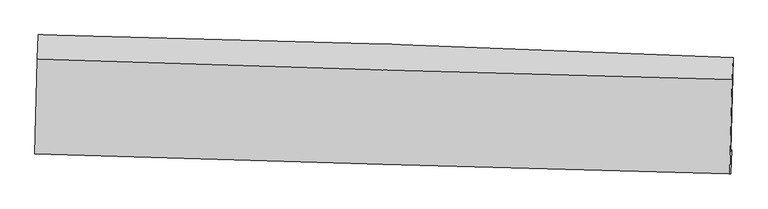
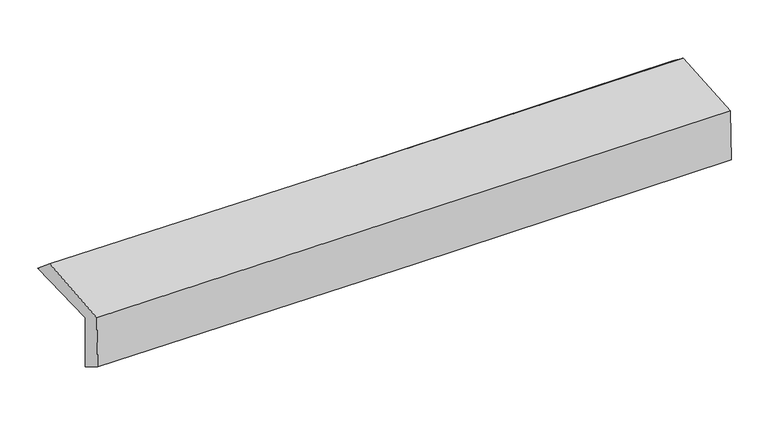
"""IFC4 building model written with IfcOpenShell, lengths in millimetres: proxy geometry."""

from ifc_helpers import new_model, si_unit, frame, origin, place, context, project, spatial, source, transform, mapped, element, save
from ifc_brep_helpers import plane_surface, spline_curve, spline_surface, advanced_brep


def generic_models_977bea08(model_context):
    return source(origin(), model_context, "Body", "AdvancedBrep", [
        advanced_brep(
        [(-2436.6158926, -1718.1957766, 2000.4404), (-2419.5333452, -1052.6487918, 1998.3406038), (2422.3074346, -1210.6631479, 2102.6303857), (2405.1981508, -1867.2280397, 2084.3893958), (-2429.1822616, -1707.3153336, 1589.0800695), (2412.5390126, -1856.4887649, 1678.3627511), (-2435.7093331, -1885.443018, 1702.0455732), (2406.154732, -2024.744413, 1788.7631718), (-2442.7167915, -1885.3796602, 2105.0188581), (2399.0667148, -2024.6804367, 2196.7400543), (-2426.3713936, -1222.1940276, 2141.8228908), (2416.1193783, -1366.2568962, 2221.0780265)],
        [
            (0, 1),
            (1, 2, spline_curve(3, [(-2419.5333452, -1052.6487918, 1998.3406038), (-1608.81447926, -1070.454669862, 2005.010289725), (-798.312922991, -1092.597253668, 2017.093754918), (815.630464655, -1145.339332189, 2051.945183004), (1619.075834769, -1175.868199989, 2074.624977965), (2422.3074346, -1210.6631479, 2102.6303857)], [4, 2, 4], [0.0, 7.980873470217532, 15.89649312908503])),
            (2, 3),
            (3, 0, spline_curve(3, [(2405.1981508, -1867.2280397, 2084.3893958), (1601.682979435, -1840.424286354, 2066.547948194), (798.097451161, -1814.649792448, 2050.652172007), (-815.839398258, -1764.955331833, 2022.636962436), (-1626.191884553, -1741.052404708, 2010.549739969), (-2436.6158926, -1718.1957766, 2000.4404)], [4, 2, 4], [0.0, 7.915619658867498, 15.89649312908503])),
            (4, 0),
            (3, 5),
            (5, 4, spline_curve(3, [(2412.5390126, -1856.4887649, 1678.3627511), (1609.191360722, -1829.438983368, 1651.220184092), (805.697603683, -1803.529302525, 1630.213925883), (-808.207068896, -1753.785950862, 1600.351443657), (-1618.620403065, -1729.971154286, 1591.596807972), (-2429.1822616, -1707.3153336, 1589.0800695)], [4, 2, 4], [0.0, 7.915071078931822, 15.895391446897907])),
            (6, 4),
            (5, 7),
            (7, 6, spline_curve(3, [(2406.154732, -2024.744413, 1788.7631718), (1602.528091057, -2002.974409657, 1771.194113662), (798.882464925, -1980.531384271, 1755.206264773), (-815.071909159, -1934.108727901, 1726.27422094), (-1625.380971462, -1910.117955007, 1713.356203953), (-2435.7093331, -1885.443018, 1702.0455732)], [4, 2, 4], [0.0, 7.914893353472135, 15.895034530867257])),
            (8, 6),
            (7, 9),
            (9, 8, spline_curve(3, [(2399.0667148, -2024.6804367, 2196.7400543), (1595.366950784, -2002.909753852, 2183.315473021), (791.691271194, -1980.466438261, 2168.994818665), (-822.236962926, -1934.043981731, 2138.435921147), (-1632.48911881, -1910.053704963, 2122.182843736), (-2442.7167915, -1885.3796602, 2105.0188581)], [4, 2, 4], [0.0, 7.914639232964628, 15.894524194964871])),
            (10, 8),
            (9, 11),
            (11, 10, spline_curve(3, [(2416.1193783, -1366.2568962, 2221.0780265), (1612.33150883, -1345.321321658, 2205.595597301), (808.553139907, -1322.903684825, 2191.272122323), (-805.610608204, -1274.907264573, 2164.834556821), (-1615.995829608, -1249.303945446, 2152.739653247), (-2426.3713936, -1222.1940276, 2141.8228908)], [4, 2, 4], [0.0, 7.915157439639489, 15.895564880243017])),
            (1, 10),
            (11, 2),
        ],
        [
            spline_surface(3, 3, [[(-2436.6158926, -1718.1957766, 2000.4404), (-1626.191884631, -1741.052404669, 2010.549739861), (-815.839398387, -1764.95533176, 2022.63696233), (798.097451289, -1814.64979252, 2050.652172112), (1601.682979532, -1840.42428643, 2066.547948272), (2405.1981508, -1867.2280397, 2084.3893958)], [(-2430.921710152, -1496.346781661, 1999.74046792), (-1620.399416211, -1517.519826366, 2008.703256433), (-809.997239919, -1540.835972426, 2020.789226575), (803.941789054, -1591.546305712, 2051.083175705), (1607.480597967, -1618.90559099, 2069.240291546), (2410.901245398, -1648.373075768, 2090.469725783)], [(-2425.227527648, -1274.497786739, 1999.04053588), (-1614.606947735, -1293.987248081, 2006.856773045), (-804.15508142, -1316.716613094, 2018.941490804), (809.786126852, -1368.442818906, 2051.514179281), (1613.278216409, -1397.386895544, 2071.932634771), (2416.604340002, -1429.518111832, 2096.550055717)], [(-2419.5333452, -1052.6487918, 1998.3406038), (-1608.814479315, -1070.454669778, 2005.010289617), (-798.312922952, -1092.597253759, 2017.09375505), (815.630464617, -1145.339332099, 2051.945182874), (1619.075834844, -1175.868200104, 2074.624978045), (2422.3074346, -1210.6631479, 2102.6303857)]], [4, 4], [4, 2, 4], [0.0, 2.2017029563184245], [0.0, 7.980873470217532, 15.89649312908503]),
            spline_surface(3, 3, [[(-2429.1822616, -1707.3153336, 1589.0800695), (-1618.620403147, -1729.971154304, 1591.596807968), (-808.207068904, -1753.785950792, 1600.351443593), (805.69760369, -1803.529302595, 1630.213925946), (1609.191360819, -1829.438983256, 1651.220184224), (2412.5390126, -1856.4887649, 1678.3627511)], [(-2431.660138591, -1710.942147914, 1726.200179667), (-1621.1442303, -1733.664904407, 1731.247785266), (-810.751178706, -1757.509077811, 1741.113283166), (803.164219581, -1807.236132599, 1770.360007996), (1606.68856704, -1833.100751002, 1789.662772243), (2410.092058651, -1860.068523188, 1813.704966003)], [(-2434.138015609, -1714.568962286, 1863.320289833), (-1623.668057478, -1737.358654566, 1870.898762563), (-813.295288584, -1761.232204742, 1881.875122757), (800.630835398, -1810.942962516, 1910.506090062), (1604.18577331, -1836.762518683, 1928.105360253), (2407.645104749, -1863.648281412, 1949.047180897)], [(-2436.6158926, -1718.1957766, 2000.4404), (-1626.191884631, -1741.052404669, 2010.549739861), (-815.839398387, -1764.95533176, 2022.63696233), (798.097451289, -1814.64979252, 2050.652172112), (1601.682979532, -1840.42428643, 2066.547948272), (2405.1981508, -1867.2280397, 2084.3893958)]], [4, 4], [4, 2, 4], [0.0, 1.383154276670866], [0.0, 7.980320367966085, 15.895391446897907]),
            spline_surface(3, 3, [[(-2435.7093331, -1885.443018, 1702.0455732), (-1625.380971376, -1910.117955067, 1713.356203922), (-815.071909145, -1934.108727967, 1726.27422106), (798.882464911, -1980.531384205, 1755.206264655), (1602.528091057, -2002.974409649, 1771.194113746), (2406.154732, -2024.744413, 1788.7631718)], [(-2433.533642609, -1826.067123215, 1664.390405307), (-1623.127448642, -1850.069021494, 1672.769738611), (-812.78362908, -1874.001135563, 1684.299961884), (801.154177822, -1921.530690322, 1713.542151731), (1604.749180988, -1945.129267513, 1731.202803908), (2408.282825544, -1968.659196962, 1751.96303157)], [(-2431.357952091, -1766.691228385, 1626.735237393), (-1620.873925881, -1790.020087877, 1632.18327328), (-810.495348969, -1813.893543196, 1642.325702769), (803.425890779, -1862.529996478, 1671.878038869), (1606.970270888, -1887.284125392, 1691.211494061), (2410.410919056, -1912.573980938, 1715.16289133)], [(-2429.1822616, -1707.3153336, 1589.0800695), (-1618.620403147, -1729.971154304, 1591.596807968), (-808.207068904, -1753.785950792, 1600.351443593), (805.69760369, -1803.529302595, 1630.213925946), (1609.191360819, -1829.438983256, 1651.220184224), (2412.5390126, -1856.4887649, 1678.3627511)]], [4, 4], [4, 2, 4], [0.0, 0.7166392945157958], [0.0, 7.980141177395121, 15.895034530867257]),
            spline_surface(3, 3, [[(-2442.7167915, -1885.3796602, 2105.0188581), (-1632.489118878, -1910.053705066, 2122.182843679), (-822.236962947, -1934.043981738, 2138.435921269), (791.691271215, -1980.466438254, 2168.994818543), (1595.366950713, -2002.909753767, 2183.31547306), (2399.0667148, -2024.6804367, 2196.7400543)], [(-2440.380972029, -1885.400779461, 1970.694429785), (-1630.119736373, -1910.075121727, 1985.907297078), (-819.848611658, -1934.065563812, 2001.048687877), (794.088335802, -1980.488086901, 2031.065300591), (1597.753997492, -2002.931305726, 2045.941686612), (2401.429387197, -2024.701762132, 2060.747760123)], [(-2438.045152571, -1885.421898739, 1836.370001515), (-1627.750353881, -1910.096538406, 1849.631750523), (-817.460260434, -1934.087145894, 1863.661454452), (796.485400324, -1980.509735557, 1893.135782607), (1600.141044279, -2002.952857689, 1908.567900194), (2403.792059603, -2024.723087568, 1924.755465977)], [(-2435.7093331, -1885.443018, 1702.0455732), (-1625.380971376, -1910.117955067, 1713.356203922), (-815.071909145, -1934.108727967, 1726.27422106), (798.882464911, -1980.531384205, 1755.206264655), (1602.528091057, -2002.974409649, 1771.194113746), (2406.154732, -2024.744413, 1788.7631718)]], [4, 4], [4, 2, 4], [0.0, 1.355087616156302], [0.0, 7.979884962000243, 15.894524194964871]),
            spline_surface(3, 3, [[(-2426.3713936, -1222.1940276, 2141.8228908), (-1615.995829739, -1249.303945336, 2152.73965326), (-805.610608115, -1274.907264594, 2164.834556863), (808.553139818, -1322.903684805, 2191.272122282), (1612.331508795, -1345.321321711, 2205.595597242), (2416.1193783, -1366.2568962, 2221.0780265)], [(-2431.819859556, -1443.255905143, 2129.554879902), (-1621.493592775, -1469.553865255, 2142.554050069), (-811.152726402, -1494.619503644, 2156.035011656), (802.932516941, -1542.09126929, 2183.84635436), (1606.676656098, -1564.517465711, 2198.168889161), (2410.43515713, -1585.731409682, 2212.96536908)], [(-2437.268325544, -1664.317782657, 2117.286868998), (-1626.991355842, -1689.803785147, 2132.36844687), (-816.69484466, -1714.331742688, 2147.235466475), (797.311894092, -1761.278853769, 2176.420586464), (1601.021803411, -1783.713609767, 2190.74218114), (2404.75093597, -1805.205923218, 2204.85271172)], [(-2442.7167915, -1885.3796602, 2105.0188581), (-1632.489118878, -1910.053705066, 2122.182843679), (-822.236962947, -1934.043981738, 2138.435921269), (791.691271215, -1980.466438254, 2168.994818543), (1595.366950713, -2002.909753767, 2183.31547306), (2399.0667148, -2024.6804367, 2196.7400543)]], [4, 4], [4, 2, 4], [0.0, 2.1621368017463656], [0.0, 7.9804074406035275, 15.895564880243017]),
            spline_surface(3, 3, [[(-2419.5333452, -1052.6487918, 1998.3406038), (-1608.814479315, -1070.454669778, 2005.010289617), (-798.312922952, -1092.597253759, 2017.09375505), (815.630464617, -1145.339332099, 2051.945182874), (1619.075834844, -1175.868200104, 2074.624978045), (2422.3074346, -1210.6631479, 2102.6303857)], [(-2421.812694663, -1109.163870406, 2046.168032819), (-1611.208262786, -1130.071094971, 2054.253410851), (-800.745484684, -1153.367257355, 2066.340689005), (813.27135634, -1204.527449652, 2098.387496028), (1616.827726175, -1232.352573974, 2118.281851118), (2420.24474918, -1262.527730668, 2142.11293264)], [(-2424.092044137, -1165.678948994, 2093.995461781), (-1613.602046268, -1189.687520144, 2103.496532027), (-803.178046383, -1214.137260997, 2115.587622907), (810.912248095, -1263.715567252, 2144.829809128), (1614.579617464, -1288.836947841, 2161.938724169), (2418.18206372, -1314.392313432, 2181.59547956)], [(-2426.3713936, -1222.1940276, 2141.8228908), (-1615.995829739, -1249.303945336, 2152.73965326), (-805.610608115, -1274.907264594, 2164.834556863), (808.553139818, -1322.903684805, 2191.272122282), (1612.331508795, -1345.321321711, 2205.595597242), (2416.1193783, -1366.2568962, 2221.0780265)]], [4, 4], [4, 2, 4], [0.0, 0.7556465528489021], [0.0, 7.981179415079724, 15.897102517320272]),
            plane_surface(frame((2410.2309038, -1725.0102831, 2011.9939642), z_axis=(0.9994971588574522, -0.026528235826398797, 0.017368999390297898), x_axis=(0.017370953902616202, -0.00015678986907524968, -0.9998491013035168))),
            plane_surface(frame((-2431.6881696, -1578.5294346, 1922.7913992), z_axis=(-0.9995210901959365, 0.0255997872431112, -0.017385084027237797), x_axis=(-0.025658351193573445, -0.9996657949954576, 0.0031539388274165847))),
        ],
        [
            (0, [[1, 2, 3, 4]]),
            (1, [[5, -4, 6, 7]]),
            (2, [[8, -7, 9, 10]]),
            (3, [[11, -10, 12, 13]]),
            (4, [[14, -13, 15, 16]]),
            (5, [[17, -16, 18, -2]]),
            (6, [[-12, -9, -6, -3, -18, -15]]),
            (7, [[-1, -5, -8, -11, -14, -17]]),
        ],
    ),
    ])


if __name__ == "__main__":
    model = new_model("IFC4")
    model_context = context("Model", 3, world=origin())
    ifc_project = project(units=[si_unit("LENGTHUNIT", "METRE", prefix="MILLI")], contexts=[model_context])
    site = spatial("IfcSite", under=ifc_project)
    building = spatial("IfcBuilding", under=site)
    placement = place(None, origin())
    generic_models_shape = generic_models_977bea08(model_context)
    element("IfcBuildingElementProxy", 1, Name="Generic Models", at=placement, inside=building, context=model_context, shape_type="MappedRepresentation", body=[
        mapped(generic_models_shape, transform((0.0, 0.0, 0.0), x_axis=(1.0, 0.0, 0.0), y_axis=(0.0, 1.0, 0.0), z_axis=(0.0, 0.0, 1.0))),
    ])
    save(model, "model.ifc")
